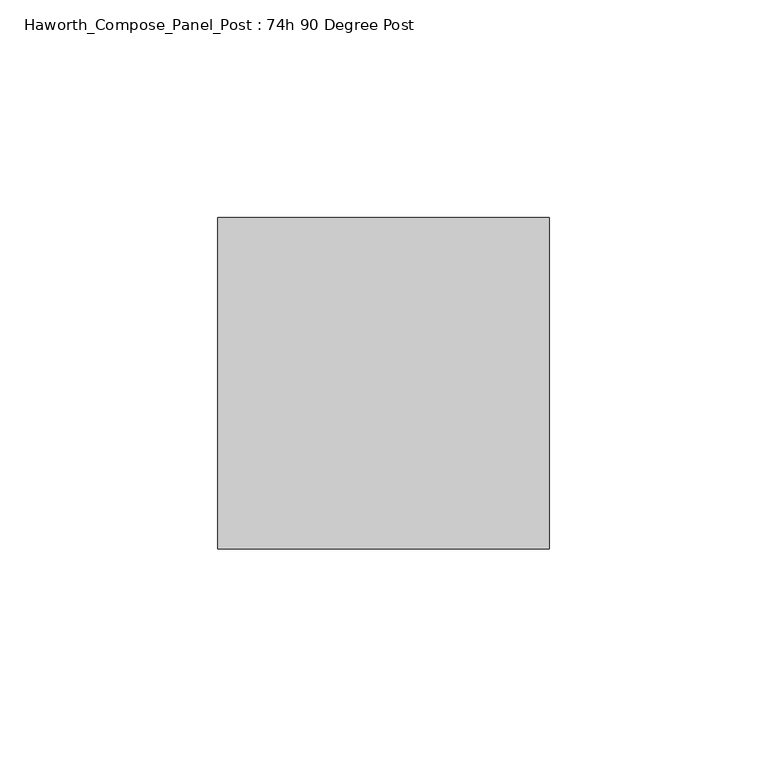
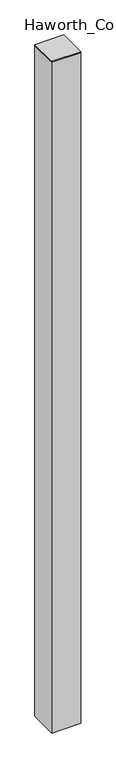
"""IFC4 building model written with IfcOpenShell, lengths in millimetres: furniture geometry, Haworth_Compose_Panel_Post : 74h 90 Degree Post."""

from ifc_helpers import new_model, si_unit, frame, origin, place, context, project, spatial, polyline, outline, extrude, source, transform, mapped, element, save


def haworth_compose_panel_post_74h_90_degree_post_33b25b0a(model_context):
    return source(origin(), model_context, "Body", "SweptSolid", [
        extrude(outline(polyline([(0.0, 38.1), (76.2, 38.1), (76.2, -38.1), (0.0, -38.1), (0.0, 38.1)])), frame((0.0, 0.0, 1873.25), z_axis=(0.0, 0.0, 1.0), x_axis=(1.0, 0.0, 0.0)), (0.0, 0.0, 1.0), 3.175),
        extrude(outline(polyline([(76.2, 38.1), (76.2, -38.1), (0.0, -38.1), (0.0, 38.1), (76.2, 38.1)])), frame((0.0, 0.0, 12.7), z_axis=(0.0, 0.0, 1.0), x_axis=(1.0, 0.0, 0.0)), (0.0, 0.0, 1.0), 1860.55),
    ])


if __name__ == "__main__":
    model = new_model("IFC4")
    model_context = context("Model", 3, world=origin())
    ifc_project = project(units=[si_unit("LENGTHUNIT", "METRE", prefix="MILLI")], contexts=[model_context])
    site = spatial("IfcSite", under=ifc_project)
    building = spatial("IfcBuilding", under=site)
    placement = place(None, origin())
    haworth_compose_panel_post_74h_90_degree_post_shape = haworth_compose_panel_post_74h_90_degree_post_33b25b0a(model_context)
    element("IfcFurniture", 1, ObjectType="Haworth_Compose_Panel_Post : 74h 90 Degree Post", at=placement, inside=building, context=model_context, shape_type="MappedRepresentation", body=[
        mapped(haworth_compose_panel_post_74h_90_degree_post_shape, transform((0.0, 0.0, 0.0), x_axis=(1.0, 0.0, 0.0), y_axis=(0.0, 1.0, 0.0), z_axis=(0.0, 0.0, 1.0))),
    ])
    save(model, "model.ifc")
